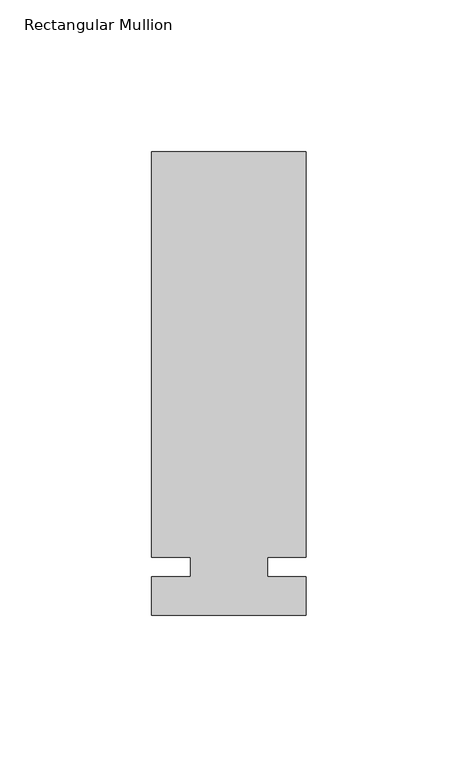
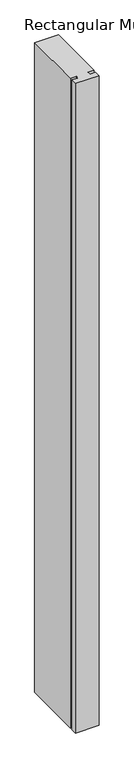
"""IFC4 building model written with IfcOpenShell, lengths in millimetres: member geometry, Rectangular Mullion."""

from ifc_helpers import new_model, si_unit, frame, origin, place, context, project, spatial, polyline, outline, extrude, source, transform, mapped, element, save


def rectangular_mullion_6a66351e(model_context):
    return source(origin(), model_context, "Body", "SweptSolid", [
        extrude(outline(polyline([(29.7344027, 136.525), (29.7344027, 3.175), (17.0326322, 3.175), (17.0326322, -3.175), (29.7344027, -3.175), (29.7344027, -15.875), (-21.0655973, -15.875), (-21.0655973, -3.175), (-8.3655973, -3.175), (-8.3655973, 3.175), (-21.0655973, 3.175), (-21.0655973, 136.525), (29.7344027, 136.525)])), frame((0.0, 0.0, -1478.28), z_axis=(0.0, 0.0, 1.0), x_axis=(1.0, 0.0, 0.0)), (0.0, 0.0, 1.0), 1478.28),
    ])


if __name__ == "__main__":
    model = new_model("IFC4")
    model_context = context("Model", 3, world=origin())
    ifc_project = project(units=[si_unit("LENGTHUNIT", "METRE", prefix="MILLI")], contexts=[model_context])
    site = spatial("IfcSite", under=ifc_project)
    building = spatial("IfcBuilding", under=site)
    placement = place(None, origin())
    rectangular_mullion_shape = rectangular_mullion_6a66351e(model_context)
    element("IfcMember", 1, ObjectType="Rectangular Mullion", at=placement, inside=building, context=model_context, shape_type="MappedRepresentation", body=[
        mapped(rectangular_mullion_shape, transform((0.0, 0.0, 0.0), x_axis=(1.0, 0.0, 0.0), y_axis=(0.0, 1.0, 0.0), z_axis=(0.0, 0.0, 1.0))),
    ])
    save(model, "model.ifc")
